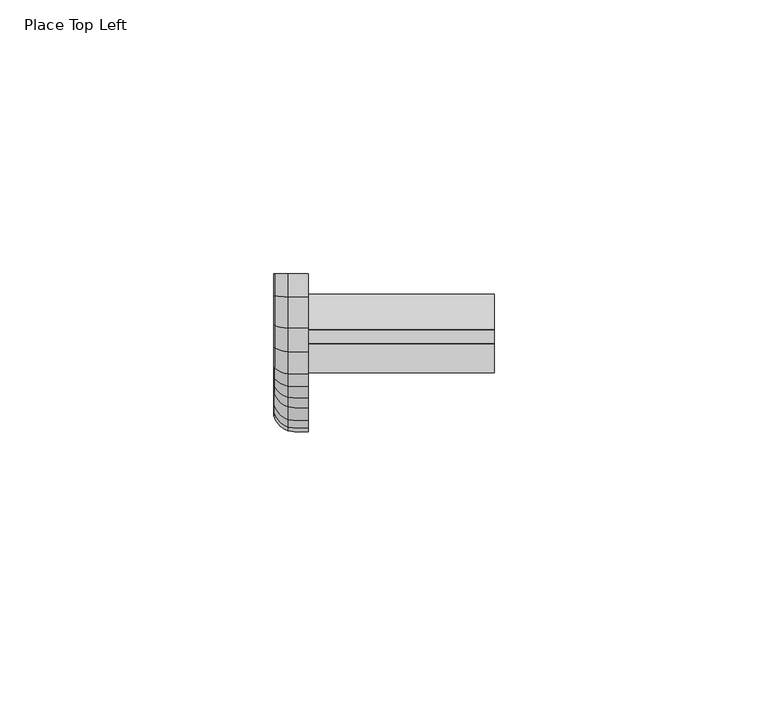
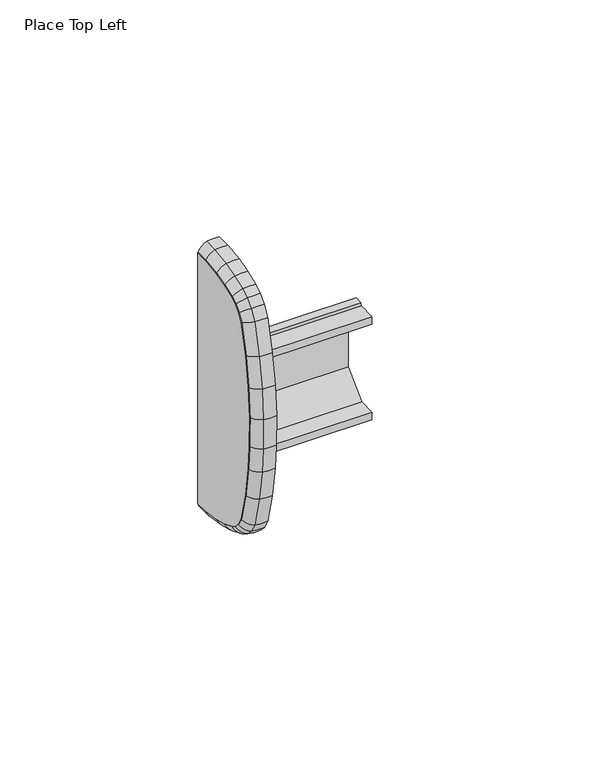
"""IFC4 building model written with IfcOpenShell, lengths in millimetres: furniture geometry, Place Top Left."""

from ifc_helpers import new_model, si_unit, frame, origin, place, context, project, spatial, polyline, circle_curve, ellipse_curve, outline, extrude, source, transform, mapped, element, save
from ifc_brep_helpers import plane_surface, cylinder_surface, advanced_brep


def place_top_left_087214c5(model_context):
    return source(origin(), model_context, "Body", "SolidModel", [
        extrude(outline(polyline([(0.0345068, 1949.9111899), (0.0345068, 1872.6630426), (-4.0166405, 1872.7100247), (-9.3269324, 1873.4801476), (-13.372825, 1874.5646679), (-17.0045165, 1875.9787041), (-18.7701717, 1877.1009228), (-20.2975267, 1878.6282778), (-21.7027528, 1880.9695702), (-23.8895613, 1889.8005523), (-25.23706, 1898.7623229), (-25.8162884, 1906.0852714), (-25.8925026, 1914.9677753), (-25.2359754, 1923.8191233), (-23.8895635, 1932.7736802), (-21.7027531, 1941.6046612), (-20.2975159, 1943.9459692), (-18.7701751, 1945.4733101), (-17.0045177, 1946.5955279), (-13.372825, 1948.0095645), (-9.3269329, 1949.0940847), (-4.016627, 1949.8642077), (0.0345068, 1949.9111899)])), frame((-6.2857404, 0.0, 0.0), z_axis=(1.0, 0.0, 0.0), x_axis=(0.0, 1.0, 0.0)), (0.0, 0.0, 1.0), 6.2857404),
        advanced_brep(
        [(-6.2857404, 0.0345067, 1872.6630426), (0.0, 0.0345067, 1872.6630426), (0.0, 0.0, 1869.6876205), (-3.7374705, 0.0022714, 1869.8834799), (-3.7374705, -4.2331853, 1869.9325995), (-6.2857404, -4.0166405, 1872.7100247), (0.0, -4.0166405, 1872.7100247), (0.0, -9.3269324, 1873.4801476), (0.0, -13.372825, 1874.5646679), (0.0, -17.0045165, 1875.9787041), (0.0, -18.7406187, 1877.0821394), (0.0, -20.3136941, 1878.6552149), (0.0, -21.7027528, 1880.9695702), (0.0, -23.8895613, 1889.8005523), (0.0, -25.23706, 1898.7623229), (0.0, -25.8162884, 1906.0852714), (0.0, -25.8925026, 1914.9677753), (0.0, -25.2359754, 1923.8191233), (0.0, -23.8895635, 1932.7736802), (0.0, -21.7027531, 1941.6046612), (0.0, -20.3136925, 1943.919017), (0.0, -18.7406056, 1945.4921039), (0.0, -17.0045177, 1946.5955279), (0.0, -13.372825, 1948.0095645), (0.0, -9.3269329, 1949.0940847), (0.0, -4.016627, 1949.8642077), (0.0, 0.0345068, 1949.9111899), (0.0, 0.0, 1952.8866119), (0.0, -4.24843, 1952.8373417), (0.0, -9.9277677, 1952.0137001), (0.0, -14.3006328, 1950.8415333), (0.0, -18.3551887, 1949.2628506), (0.0, -20.6131248, 1947.8277498), (0.0, -22.6766477, 1945.7642269), (0.0, -24.4838344, 1942.7532188), (0.0, -26.8114085, 1933.3537926), (0.0, -28.1951654, 1924.1508659), (0.0, -28.8690704, 1915.0652287), (0.0, -28.7909025, 1905.9550289), (0.0, -28.1951654, 1898.4233665), (0.0, -26.8114062, 1889.2204399), (0.0, -24.4838344, 1879.8210136), (0.0, -22.67665, 1876.8100056), (0.0, -20.6131389, 1874.7464944), (0.0, -18.3551887, 1873.3113819), (0.0, -14.3006328, 1871.7326992), (0.0, -9.9277677, 1870.5605324), (0.0, -4.2484439, 1869.7368908), (-3.7374705, -9.8882173, 1870.7527182), (-6.2857404, -9.3269324, 1873.4801476), (-3.7374705, -14.2395592, 1871.9191156), (-6.2857404, -13.372825, 1874.5646679), (-3.7374705, -18.2662797, 1873.4869604), (-6.2857404, -17.0045165, 1875.9787041), (-3.7374705, -20.4898788, 1874.90024), (-6.2857404, -18.7406187, 1877.0821394), (-6.2857404, -20.3136941, 1878.6552149), (-3.7374705, -22.5211067, 1876.9314678), (-3.7374705, -24.3007676, 1879.8966182), (-6.2857404, -21.7027528, 1880.9695702), (-3.7374705, -26.6190736, 1889.2586262), (-6.2857404, -23.8895613, 1889.8005523), (-3.7374705, -28.0004459, 1898.4456786), (-6.2857404, -25.23706, 1898.7623229), (-3.7374705, -28.5950963, 1905.9636022), (-6.2857404, -25.8162884, 1906.0852714), (-3.7374705, -28.6731357, 1915.0588137), (-6.2857404, -25.8925026, 1914.9677753), (-3.7374705, -28.0003745, 1924.1290287), (-6.2857404, -25.2359754, 1923.8191233), (-3.7374705, -26.6190759, 1933.3156062), (-6.2857404, -23.8895635, 1932.7736802), (-3.7374705, -24.3007677, 1942.6776142), (-6.2857404, -21.7027531, 1941.6046612), (-3.7374705, -22.5211045, 1945.6427646), (-6.2857404, -20.3136925, 1943.919017), (-6.2857404, -18.7406056, 1945.4921039), (-3.7374705, -20.4898649, 1947.6740042), (-3.7374705, -18.2662798, 1949.0872721), (-6.2857404, -17.0045177, 1946.5955279), (-3.7374705, -14.2395592, 1950.6551168), (-6.2857404, -13.372825, 1948.0095645), (-3.7374705, -9.8882173, 1951.8215143), (-6.2857404, -9.3269329, 1949.0940847), (-3.7374705, -4.2331714, 1952.6416329), (-6.2857404, -4.016627, 1949.8642077), (-6.2857404, 0.0345068, 1949.9111899), (-3.7374705, 0.0022714, 1952.6907526)],
        [
            (0, 1),
            (1, 2),
            (2, 3, circle_curve(frame((-1.1374621, 0.1629473, 1883.7381341), z_axis=(0.0, 0.9999327587268309, -0.011596466054342813), x_axis=(0.0, -0.011596466054342813, -0.9999327587268309)), 14.0974219)),
            (3, 0, circle_curve(frame((-2.1283423, 0.0490404, 1873.916247), z_axis=(0.0, 0.9999327587268309, -0.011596466054342813), x_axis=(0.0, -0.011596466054342813, -0.9999327587268309)), 4.3421988)),
            (3, 4),
            (4, 5, ellipse_curve(frame((-2.1283423, -3.9190083, 1873.9622654), z_axis=(0.0, 0.9969744367081163, -0.07773012640240676), x_axis=(0.0, 0.07773012640240912, 0.9969744367081163)), 4.3517344, 4.3421988)),
            (5, 0),
            (5, 6),
            (6, 1),
            (6, 7),
            (7, 8),
            (8, 9),
            (9, 10),
            (10, 11),
            (11, 12),
            (12, 13),
            (13, 14),
            (14, 15),
            (15, 16),
            (16, 17),
            (17, 18),
            (18, 19),
            (19, 20),
            (20, 21),
            (21, 22),
            (22, 23),
            (23, 24),
            (24, 25),
            (25, 26),
            (26, 27),
            (27, 28),
            (28, 29),
            (29, 30),
            (30, 31),
            (31, 32),
            (32, 33),
            (33, 34),
            (34, 35),
            (35, 36),
            (36, 37),
            (37, 38),
            (38, 39),
            (39, 40),
            (40, 41),
            (41, 42),
            (42, 43),
            (43, 44),
            (44, 45),
            (45, 46),
            (46, 47),
            (47, 2),
            (4, 48),
            (48, 49, ellipse_curve(frame((-2.1283423, -9.0738693, 1874.709847), z_axis=(0.0, 0.9794743974731754, -0.20156861039001076), x_axis=(0.0, 0.20156861039000895, 0.9794743974731758)), 4.3497517, 4.3421988)),
            (49, 5),
            (49, 7),
            (48, 50),
            (50, 51, ellipse_curve(frame((-2.1283423, -12.9820459, 1875.7574519), z_axis=(0.0, 0.9502997040868852, -0.31133659022411453), x_axis=(0.0, 0.3113365902241165, 0.9502997040868846)), 4.3487034, 4.3421988)),
            (51, 49),
            (51, 8),
            (50, 52),
            (52, 53, ellipse_curve(frame((-2.1283423, -16.4356331, 1877.1021413), z_axis=(0.0, 0.892139727680598, -0.4517595669092004), x_axis=(0.0, 0.45175956690920127, 0.8921397276805976)), 4.3628926, 4.3421988)),
            (53, 51),
            (53, 9),
            (52, 54),
            (54, 55, ellipse_curve(frame((-2.1283423, -17.9519405, 1878.065879), z_axis=(0.0, 0.7802159010365418, -0.6255103098828485), x_axis=(0.0, 0.6255103098828485, 0.7802159010365418)), 4.3684157, 4.3421988)),
            (55, 53),
            (55, 10),
            (56, 57, ellipse_curve(frame((-2.1283423, -19.3184516, 1879.4323901), z_axis=(0.0, -0.6154679787389653, 0.7881618914582031), x_axis=(0.0, -0.7881618914582029, -0.6154679787389659)), 4.37494, 4.3421988)),
            (57, 58),
            (58, 59, ellipse_curve(frame((-2.1283423, -20.5314017, 1881.4533254), z_axis=(0.0, 0.381717250069624, -0.9242791466863699), x_axis=(0.0, 0.9242791466863701, 0.38171725006962365)), 4.3907884, 4.3421988)),
            (59, 56),
            (11, 56),
            (59, 12),
            (58, 60),
            (60, 61, ellipse_curve(frame((-2.1283423, -22.6589228, 1890.0448872), z_axis=(0.0, 0.19474198430785897, -0.9808545047803153), x_axis=(0.0, 0.9808545047803152, 0.1947419843078592)), 4.3469486, 4.3421988)),
            (61, 59),
            (61, 13),
            (60, 62),
            (62, 63, ellipse_curve(frame((-2.1283423, -23.9911492, 1898.9050864), z_axis=(0.0, 0.11384072236192055, -0.9934990135536704), x_axis=(0.0, 0.9934990135536701, 0.11384072236192362)), 4.3448834, 4.3421988)),
            (63, 61),
            (63, 14),
            (62, 64),
            (64, 65, ellipse_curve(frame((-2.1283423, -24.5634243, 1906.1401276), z_axis=(0.0, 0.04374274453800102, -0.9990428280610814), x_axis=(0.0, 0.9990428280610811, 0.04374274453800517)), 4.3448867, 4.3421988)),
            (65, 63),
            (65, 15),
            (64, 66),
            (66, 67, ellipse_curve(frame((-2.1283423, -24.6388157, 1914.9267294), z_axis=(0.0, -0.03272262932383442, -0.9994644713696105), x_axis=(0.0, 0.9994644713696106, -0.032722629323834546)), 4.3459062, 4.3421988)),
            (67, 65),
            (67, 16),
            (66, 68),
            (68, 69, ellipse_curve(frame((-2.1283423, -23.9896077, 1923.6793982), z_axis=(0.0, -0.1114079985900887, -0.9937747520691753), x_axis=(0.0, 0.9937747520691753, -0.1114079985900868)), 4.3452705, 4.3421988)),
            (69, 67),
            (69, 17),
            (68, 70),
            (70, 71, ellipse_curve(frame((-2.1283423, -22.658925, 1932.5293453), z_axis=(0.0, -0.19474197760746303, -0.9808545061106334), x_axis=(0.0, 0.9808545061106337, -0.19474197760745995)), 4.3469486, 4.3421988)),
            (71, 69),
            (71, 18),
            (70, 72),
            (72, 73, ellipse_curve(frame((-2.1283423, -20.5314023, 1941.1209055), z_axis=(0.0, -0.38171761151703903, -0.9242789974124301), x_axis=(0.0, 0.9242789974124306, -0.3817176115170378)), 4.3907885, 4.3421988)),
            (73, 71),
            (73, 19),
            (72, 74),
            (74, 75, ellipse_curve(frame((-2.1283423, -19.3184502, 1943.1418415), z_axis=(0.0, -0.6154681972461673, -0.7881617208279992), x_axis=(0.0, 0.788161720827999, -0.6154681972461677)), 4.3749399, 4.3421988)),
            (75, 73),
            (75, 20),
            (76, 77, ellipse_curve(frame((-2.1283423, -17.9519278, 1944.5083639), z_axis=(0.0, 0.7802161816917597, 0.6255099598138557), x_axis=(0.0, -0.6255099598138527, 0.7802161816917618)), 4.3684159, 4.3421988)),
            (77, 78),
            (78, 79, ellipse_curve(frame((-2.1283423, -16.4356348, 1945.4720905), z_axis=(0.0, -0.8921399303769463, -0.45175916662201504), x_axis=(0.0, 0.45175916662201504, -0.8921399303769462)), 4.3628924, 4.3421988)),
            (79, 76),
            (21, 76),
            (79, 22),
            (78, 80),
            (80, 81, ellipse_curve(frame((-2.1283423, -12.9820459, 1946.8167806), z_axis=(0.0, -0.9502997040868857, -0.31133659022411336), x_axis=(0.0, 0.3113365902241138, -0.9502997040868856)), 4.3487034, 4.3421988)),
            (81, 79),
            (81, 23),
            (80, 82),
            (82, 83, ellipse_curve(frame((-2.1283423, -9.0738701, 1947.8643853), z_axis=(0.0, -0.9794744325328961, -0.20156844002561783), x_axis=(0.0, 0.20156844002561664, -0.9794744325328963)), 4.3497517, 4.3421988)),
            (83, 81),
            (83, 24),
            (82, 84),
            (84, 85, ellipse_curve(frame((-2.1283423, -3.918995, 1948.6119671), z_axis=(0.0, -0.9969744487525575, -0.07772997191903779), x_axis=(0.0, 0.07772997191904311, -0.996974448752557)), 4.3517343, 4.3421988)),
            (85, 83),
            (85, 25),
            (86, 87, circle_curve(frame((-2.1283423, 0.0490406, 1948.6579855), z_axis=(0.0, 0.9999327582865746, 0.011596504016418261), x_axis=(0.0, -0.011596504016418261, 0.9999327582865746)), 4.3421988)),
            (87, 27, circle_curve(frame((-1.1374621, 0.1629478, 1938.8360984), z_axis=(0.0, 0.9999327582865746, 0.011596504016418261), x_axis=(0.0, -0.011596504016418261, 0.9999327582865746)), 14.0974219)),
            (26, 86),
            (84, 87),
            (86, 85),
            (54, 57),
            (56, 55),
            (74, 77),
            (76, 75),
            (47, 4, ellipse_curve(frame((-1.1374621, -3.1538237, 1883.7765995), z_axis=(0.0, 0.9969744367081163, -0.07773012640240676), x_axis=(0.0, 0.07773012640240912, 0.9969744367081163)), 14.1283801, 14.0974219)),
            (46, 48, ellipse_curve(frame((-1.1374621, -7.0905082, 1884.3475156), z_axis=(0.0, 0.9794743974731754, -0.20156861039001076), x_axis=(0.0, 0.20156861039000895, 0.9794743974731758)), 14.1219429, 14.0974219)),
            (45, 50, ellipse_curve(frame((-1.1374621, -9.9193464, 1885.1057988), z_axis=(0.0, 0.9502997040868852, -0.31133659022411453), x_axis=(0.0, 0.3113365902241165, 0.9502997040868846)), 14.1185397, 14.0974219)),
            (44, 52, ellipse_curve(frame((-1.1374621, -11.9770555, 1885.9069889), z_axis=(0.0, 0.892139727680598, -0.4517595669092004), x_axis=(0.0, 0.45175956690920127, 0.8921397276805976)), 14.1646065, 14.0974219)),
            (43, 54, ellipse_curve(frame((-1.1374621, -11.7707394, 1885.775858), z_axis=(0.0, 0.7802159010365418, -0.6255103098828485), x_axis=(0.0, 0.6255103098828485, 0.7802159010365418)), 14.1825379, 14.0974219)),
            (42, 57, ellipse_curve(frame((-1.1374621, -11.5183192, 1885.5234379), z_axis=(0.0, 0.6154679787389653, -0.7881618914582031), x_axis=(0.0, 0.7881618914582031, 0.6154679787389653)), 14.2037197, 14.0974219)),
            (41, 58, ellipse_curve(frame((-1.1374621, -11.3510335, 1885.2447178), z_axis=(0.0, 0.381717250069624, -0.9242791466863699), x_axis=(0.0, 0.9242791466863701, 0.38171725006962365)), 14.2551732, 14.0974219)),
            (40, 60, ellipse_curve(frame((-1.1374621, -13.013894, 1891.959842), z_axis=(0.0, 0.19474198430785897, -0.9808545047803153), x_axis=(0.0, 0.9808545047803152, 0.1947419843078592)), 14.1128424, 14.0974219)),
            (39, 62, ellipse_curve(frame((-1.1374621, -14.2264245, 1900.0239837), z_axis=(0.0, 0.11384072236192055, -0.9934990135536704), x_axis=(0.0, 0.9934990135536701, 0.11384072236192362)), 14.1061376, 14.0974219)),
            (38, 64, ellipse_curve(frame((-1.1374621, -14.744204, 1906.5700588), z_axis=(0.0, 0.04374274453800102, -0.9990428280610814), x_axis=(0.0, 0.9990428280610811, 0.04374274453800517)), 14.1061484, 14.0974219)),
            (37, 66, ellipse_curve(frame((-1.1374621, -14.8131462, 1914.6050354), z_axis=(0.0, -0.03272262932383442, -0.9994644713696105), x_axis=(0.0, 0.9994644713696106, -0.032722629323834546)), 14.1094583, 14.0974219)),
            (36, 68, ellipse_curve(frame((-1.1374621, -14.2213026, 1922.5843137), z_axis=(0.0, -0.1114079985900887, -0.9937747520691753), x_axis=(0.0, 0.9937747520691753, -0.1114079985900868)), 14.1073944, 14.0974219)),
            (35, 70, ellipse_curve(frame((-1.1374621, -13.0138961, 1930.6143905), z_axis=(0.0, -0.19474197760746303, -0.9808545061106334), x_axis=(0.0, 0.9808545061106337, -0.19474197760745995)), 14.1128426, 14.0974219)),
            (34, 72, ellipse_curve(frame((-1.1374621, -11.3510353, 1937.3295094), z_axis=(0.0, -0.38171761151703903, -0.9242789974124301), x_axis=(0.0, 0.9242789974124306, -0.3817176115170378)), 14.2551736, 14.0974219)),
            (33, 74, ellipse_curve(frame((-1.1374621, -11.5183198, 1937.0507918), z_axis=(0.0, -0.6154681972461673, -0.7881617208279992), x_axis=(0.0, 0.788161720827999, -0.6154681972461677)), 14.2037192, 14.0974219)),
            (32, 77, ellipse_curve(frame((-1.1374621, -11.7707299, 1936.7983817), z_axis=(0.0, -0.7802161816917597, -0.6255099598138557), x_axis=(0.0, 0.6255099598138588, -0.780216181691757)), 14.1825386, 14.0974219)),
            (31, 78, ellipse_curve(frame((-1.1374621, -11.9770615, 1936.6672413), z_axis=(0.0, -0.8921399303769463, -0.45175916662201504), x_axis=(0.0, 0.45175916662201504, -0.8921399303769462)), 14.1646059, 14.0974219)),
            (30, 80, ellipse_curve(frame((-1.1374621, -9.9193464, 1937.4684337), z_axis=(0.0, -0.9502997040868857, -0.31133659022411336), x_axis=(0.0, 0.3113365902241138, -0.9502997040868856)), 14.1185397, 14.0974219)),
            (29, 82, ellipse_curve(frame((-1.1374621, -7.0905106, 1938.2267163), z_axis=(0.0, -0.9794744325328961, -0.20156844002561783), x_axis=(0.0, 0.20156844002561664, -0.9794744325328963)), 14.1219431, 14.0974219)),
            (28, 84, ellipse_curve(frame((-1.1374621, -3.153812, 1938.797633), z_axis=(0.0, -0.9969744487525575, -0.07772997191903779), x_axis=(0.0, 0.07772997191904311, -0.996974448752557)), 14.1283799, 14.0974219)),
        ],
        [
            plane_surface(frame((0.0, 0.0, 1869.6876205), z_axis=(0.0, 0.9999327587268309, -0.011596466054342813), x_axis=(1.0, 0.0, 0.0))),
            cylinder_surface(frame((-2.1283423, 0.0490404, 1873.916247), z_axis=(0.0, 0.9999327587268309, -0.011596466054342813), x_axis=(0.0, -0.011596466054342813, -0.9999327587268309)), 4.3421988),
            plane_surface(frame((-6.2857404, 0.0345067, 1872.6630426), z_axis=(0.0, 0.011596466054338126, 0.999932758726831), x_axis=(0.0, -0.999932758726831, 0.011596466054338126))),
            plane_surface(frame((0.0, 0.0345067, 1872.6630426), z_axis=(1.0000000000000002, 0.0, 0.0), x_axis=(0.0, -0.999932758726831, 0.011596466054338152))),
            cylinder_surface(frame((-2.1283423, -3.6414973, 1873.9220195), z_axis=(0.0, 0.9896469612561981, -0.1435231412573367), x_axis=(0.0, -0.1435231412573367, -0.9896469612561981)), 4.3421988),
            plane_surface(frame((-6.2857404, -4.0166405, 1872.7100247), z_axis=(0.0, 0.14352314125730922, 0.989646961256202), x_axis=(0.0, -0.989646961256202, 0.14352314125730922))),
            cylinder_surface(frame((-2.1283423, -8.8328432, 1874.6452388), z_axis=(0.0, 0.9659003565903547, -0.2589140806109741), x_axis=(0.0, -0.2589140806109741, -0.9659003565903547)), 4.3421988),
            plane_surface(frame((-6.2857404, -9.3269324, 1873.4801476), z_axis=(0.0, 0.25891408061096816, 0.9659003565903561), x_axis=(0.0, -0.9659003565903561, 0.25891408061096816))),
            cylinder_surface(frame((-2.1283423, -12.7662667, 1875.673436), z_axis=(0.0, 0.9318562301396383, -0.3628277364672408), x_axis=(0.0, -0.3628277364672408, -0.9318562301396383)), 4.3421988),
            plane_surface(frame((-6.2857404, -13.372825, 1874.5646679), z_axis=(0.0, 0.36282773646726757, 0.9318562301396279), x_axis=(0.0, -0.9318562301396279, 0.36282773646726757))),
            cylinder_surface(frame((-2.1283423, -16.0867761, 1876.8804141), z_axis=(0.0, 0.8439601459651728, -0.5364058836575567), x_axis=(0.0, -0.5364058836575567, -0.8439601459651728)), 4.3421988),
            plane_surface(frame((-6.2857404, -17.0045165, 1875.9787041), z_axis=(0.0, 0.5364058836575601, 0.8439601459651707), x_axis=(0.0, -0.8439601459651707, 0.5364058836575601))),
            cylinder_surface(frame((-2.1283423, -19.0506969, 1878.9862754), z_axis=(0.0, 0.5146170971480147, -0.8574201090031368), x_axis=(0.0, -0.8574201090031368, -0.5146170971480147)), 4.3421988),
            plane_surface(frame((-6.2857404, -20.3136941, 1878.6552149), z_axis=(0.0, 0.8574201090031758, 0.5146170971479497), x_axis=(0.0, -0.5146170971479497, 0.8574201090031758))),
            cylinder_surface(frame((-2.1283423, -20.3789086, 1880.8375129), z_axis=(0.0, 0.24036904584971058, -0.9706815759028806), x_axis=(0.0, -0.9706815759028806, -0.24036904584971058)), 4.3421988),
            plane_surface(frame((-6.2857404, -21.7027528, 1880.9695702), z_axis=(0.0, 0.9706815759028776, 0.24036904584972268), x_axis=(0.0, -0.24036904584972268, 0.9706815759028776))),
            cylinder_surface(frame((-2.1283423, -22.6295042, 1889.8492339), z_axis=(0.0, 0.14868934975290077, -0.9888839554113817), x_axis=(0.0, -0.9888839554113817, -0.14868934975290077)), 4.3421988),
            plane_surface(frame((-6.2857404, -23.8895613, 1889.8005523), z_axis=(0.0, 0.9888839554113819, 0.1486893497528999), x_axis=(0.0, -0.1486893497528999, 0.9888839554113819))),
            cylinder_surface(frame((-2.1283423, -23.9794218, 1898.7568222), z_axis=(0.0, 0.07885141907682716, -0.9968863795385965), x_axis=(0.0, -0.9968863795385965, -0.07885141907682716)), 4.3421988),
            plane_surface(frame((-6.2857404, -25.23706, 1898.7623229), z_axis=(0.0, 0.9968863795385966, 0.07885141907682582), x_axis=(0.0, -0.07885141907682582, 0.9968863795385966))),
            cylinder_surface(frame((-2.1283423, -24.5621474, 1905.9913128), z_axis=(0.0, 0.008579948444343217, -0.9999631915649159), x_axis=(0.0, -0.9999631915649159, -0.008579948444343217)), 4.3421988),
            plane_surface(frame((-6.2857404, -25.8162884, 1906.0852714), z_axis=(0.0, 0.9999631915649158, 0.008579948444344386), x_axis=(0.0, -0.008579948444344386, 0.9999631915649158))),
            cylinder_surface(frame((-2.1283423, -24.6517447, 1914.7524188), z_axis=(0.0, -0.07396937732392918, -0.9972605132152332), x_axis=(0.0, -0.9972605132152332, 0.07396937732392918)), 4.3421988),
            plane_surface(frame((-6.2857404, -25.8925026, 1914.9677753), z_axis=(0.0, 0.9972605132152331, -0.07396937732392994), x_axis=(0.0, 0.07396937732392994, 0.9972605132152331))),
            cylinder_surface(frame((-2.1283423, -24.0132632, 1923.522073), z_axis=(0.0, -0.14868911112834549, -0.9888839912911235), x_axis=(0.0, -0.9888839912911235, 0.14868911112834549)), 4.3421988),
            plane_surface(frame((-6.2857404, -25.2359754, 1923.8191233), z_axis=(0.0, 0.9888839912911239, -0.14868911112834177), x_axis=(0.0, 0.14868911112834177, 0.9888839912911239))),
            cylinder_surface(frame((-2.1283423, -22.706483, 1932.3372924), z_axis=(0.0, -0.24036926682008936, -0.9706815211841485), x_axis=(0.0, -0.9706815211841485, 0.24036926682008936)), 4.3421988),
            plane_surface(frame((-6.2857404, -23.8895635, 1932.7736802), z_axis=(0.0, 0.9706815211841463, -0.24036926682009882), x_axis=(0.0, 0.24036926682009882, 0.9706815211841463))),
            cylinder_surface(frame((-2.1283423, -20.8578825, 1940.576947), z_axis=(0.0, -0.5146175725641735, -0.8574198236617566), x_axis=(0.0, -0.8574198236617566, 0.5146175725641735)), 4.3421988),
            plane_surface(frame((-6.2857404, -21.7027531, 1941.6046612), z_axis=(0.0, 0.8574198236617815, -0.5146175725641319), x_axis=(0.0, 0.5146175725641319, 0.8574198236617815))),
            cylinder_surface(frame((-2.1283423, -18.3447154, 1944.2587156), z_axis=(0.0, -0.8439606273162851, -0.5364051263176953), x_axis=(0.0, -0.5364051263176953, 0.8439606273162851)), 4.3421988),
            plane_surface(frame((-6.2857404, -18.7406056, 1945.4921039), z_axis=(0.0, 0.536405126317752, -0.843960627316249), x_axis=(0.0, 0.843960627316249, 0.536405126317752))),
            cylinder_surface(frame((-2.1283423, -16.8208225, 1945.3221137), z_axis=(0.0, -0.9318562301396388, -0.36282773646723954), x_axis=(0.0, -0.36282773646723954, 0.9318562301396388)), 4.3421988),
            plane_surface(frame((-6.2857404, -17.0045177, 1946.5955279), z_axis=(0.0, 0.3628277364672273, -0.9318562301396436), x_axis=(0.0, 0.9318562301396436, 0.3628277364672273))),
            cylinder_surface(frame((-2.1283423, -13.2057083, 1946.7568269), z_axis=(0.0, -0.9659003565903549, -0.2589140806109731), x_axis=(0.0, -0.2589140806109731, 0.9659003565903549)), 4.3421988),
            plane_surface(frame((-6.2857404, -13.372825, 1948.0095645), z_axis=(0.0, 0.25891408061097804, -0.9659003565903536), x_axis=(0.0, 0.9659003565903536, 0.25891408061097804))),
            cylinder_surface(frame((-2.1283423, -9.3208226, 1947.8285712), z_axis=(0.0, -0.9896470111833897, -0.1435227969898296), x_axis=(0.0, -0.1435227969898296, 0.9896470111833897)), 4.3421988),
            plane_surface(frame((-6.2857404, -9.3269329, 1949.0940847), z_axis=(0.0, 0.14352279698982742, -0.98964701118339), x_axis=(0.0, 0.98964701118339, 0.14352279698982742))),
            plane_surface(frame((0.0, 0.0, 1952.8866119), z_axis=(0.0, 0.9999327582865746, 0.011596504016419073), x_axis=(1.0, 0.0, 0.0))),
            cylinder_surface(frame((-2.1283423, -4.1993894, 1948.6087153), z_axis=(0.0, -0.9999327582865746, -0.011596504016418261), x_axis=(0.0, -0.011596504016418261, 0.9999327582865746)), 4.3421988),
            plane_surface(frame((-6.2857404, -4.016627, 1949.8642077), z_axis=(0.0, 0.011596504016427861, -0.9999327582865745), x_axis=(0.0, 0.9999327582865745, 0.011596504016427861))),
            cylinder_surface(frame((-2.1283423, -17.6228474, 1877.7367859), z_axis=(0.0, 0.7071067811865361, -0.707106781186559), x_axis=(0.0, -0.707106781186559, -0.7071067811865361)), 4.3421988),
            plane_surface(frame((-6.2857404, -18.7406187, 1877.0821394), z_axis=(0.0, 0.7071067811865932, 0.7071067811865019), x_axis=(0.0, -0.7071067811865019, 0.7071067811865932))),
            cylinder_surface(frame((-2.1283423, -19.6863562, 1942.7739354), z_axis=(0.0, -0.7071067811865539, -0.7071067811865411), x_axis=(0.0, -0.7071067811865411, 0.7071067811865539)), 4.3421988),
            plane_surface(frame((-6.2857404, -20.3136925, 1943.919017), z_axis=(0.0, 0.7071067811865552, -0.70710678118654), x_axis=(0.0, 0.70710678118654, 0.7071067811865552))),
            cylinder_surface(frame((-1.1374621, 0.1629473, 1883.7381341), z_axis=(0.0, 0.9999327587268309, -0.011596466054342813), x_axis=(0.0, -0.011596466054342813, -0.9999327587268309)), 14.0974219),
            cylinder_surface(frame((-1.1374621, -2.2317344, 1883.6428739), z_axis=(0.0, 0.9896469612561981, -0.1435231412573367), x_axis=(0.0, -0.1435231412573367, -0.9896469612561981)), 14.0974219),
            cylinder_surface(frame((-1.1374621, -6.2896473, 1884.1328411), z_axis=(0.0, 0.9659003565903547, -0.2589140806109741), x_axis=(0.0, -0.2589140806109741, -0.9659003565903547)), 14.0974219),
            cylinder_surface(frame((-1.1374621, -9.202374, 1884.8266383), z_axis=(0.0, 0.9318562301396383, -0.3628277364672408), x_axis=(0.0, -0.3628277364672408, -0.9318562301396383)), 14.0974219),
            cylinder_surface(frame((-1.1374621, -10.8179037, 1885.1702528), z_axis=(0.0, 0.8439601459651728, -0.5364058836575567), x_axis=(0.0, -0.5364058836575567, -0.8439601459651728)), 14.0974219),
            cylinder_surface(frame((-1.1374621, -10.6772573, 1884.682376), z_axis=(0.0, 0.7071067811865361, -0.707106781186559), x_axis=(0.0, -0.707106781186559, -0.7071067811865361)), 14.0974219),
            cylinder_surface(frame((-1.1374621, -10.628647, 1884.0411263), z_axis=(0.0, 0.5146170971480147, -0.8574201090031368), x_axis=(0.0, -0.8574201090031368, -0.5146170971480147)), 14.0974219),
            cylinder_surface(frame((-1.1374621, -10.8443426, 1883.1985493), z_axis=(0.0, 0.24036904584971058, -0.9706815759028806), x_axis=(0.0, -0.9706815759028806, -0.24036904584971058)), 14.0974219),
            cylinder_surface(frame((-1.1374621, -12.9161445, 1891.3097421), z_axis=(0.0, 0.14868934975290077, -0.9888839554113817), x_axis=(0.0, -0.9888839554113817, -0.14868934975290077)), 14.0974219),
            cylinder_surface(frame((-1.1374621, -14.1874578, 1899.531344), z_axis=(0.0, 0.07885141907682716, -0.9968863795385965), x_axis=(0.0, -0.9968863795385965, -0.07885141907682716)), 14.0974219),
            cylinder_surface(frame((-1.1374621, -14.7399613, 1906.0755897), z_axis=(0.0, 0.008579948444343217, -0.9999631915649159), x_axis=(0.0, -0.9999631915649159, -0.008579948444343217)), 14.0974219),
            cylinder_surface(frame((-1.1374621, -14.8561058, 1914.025851), z_axis=(0.0, -0.07396937732392918, -0.9972605132152332), x_axis=(0.0, -0.9972605132152332, 0.07396937732392918)), 14.0974219),
            cylinder_surface(frame((-1.1374621, -14.2999031, 1922.0615671), z_axis=(0.0, -0.14868911112834549, -0.9888839912911235), x_axis=(0.0, -0.9888839912911235, 0.14868911112834549)), 14.0974219),
            cylinder_surface(frame((-1.1374621, -13.1719175, 1929.9762538), z_axis=(0.0, -0.24036926682008936, -0.9706815211841485), x_axis=(0.0, -0.9706815211841485, 0.24036926682008936)), 14.0974219),
            cylinder_surface(frame((-1.1374621, -12.4358354, 1935.5220914), z_axis=(0.0, -0.5146175725641735, -0.8574198236617566), x_axis=(0.0, -0.8574198236617566, 0.5146175725641735)), 14.0974219),
            cylinder_surface(frame((-1.1374621, -12.7407662, 1935.8283454), z_axis=(0.0, -0.7071067811865539, -0.7071067811865411), x_axis=(0.0, -0.7071067811865411, 0.7071067811865539)), 14.0974219),
            cylinder_surface(frame((-1.1374621, -13.0758505, 1935.9688722), z_axis=(0.0, -0.8439606273162851, -0.5364051263176953), x_axis=(0.0, -0.5364051263176953, 0.8439606273162851)), 14.0974219),
            cylinder_surface(frame((-1.1374621, -13.2569298, 1936.1689115), z_axis=(0.0, -0.9318562301396388, -0.36282773646723954), x_axis=(0.0, -0.36282773646723954, 0.9318562301396388)), 14.0974219),
            cylinder_surface(frame((-1.1374621, -10.6625124, 1937.2692246), z_axis=(0.0, -0.9659003565903549, -0.2589140806109731), x_axis=(0.0, -0.2589140806109731, 0.9659003565903549)), 14.0974219),
            cylinder_surface(frame((-1.1374621, -7.9110631, 1938.1077163), z_axis=(0.0, -0.9896470111833897, -0.1435227969898296), x_axis=(0.0, -0.1435227969898296, 0.9896470111833897)), 14.0974219),
            cylinder_surface(frame((-1.1374621, -4.0854822, 1938.7868281), z_axis=(0.0, -0.9999327582865746, -0.011596504016418261), x_axis=(0.0, -0.011596504016418261, 0.9999327582865746)), 14.0974219),
        ],
        [
            (0, [[1, 2, 3, 4]]),
            (1, [[-4, 5, 6, 7]]),
            (2, [[-1, -7, 8, 9]]),
            (3, [[-2, -9, 10, 11, 12, 13, 14, 15, 16, 17, 18, 19, 20, 21, 22, 23, 24, 25, 26, 27, 28, 29, 30, 31, 32, 33, 34, 35, 36, 37, 38, 39, 40, 41, 42, 43, 44, 45, 46, 47, 48, 49, 50, 51]]),
            (4, [[-6, 52, 53, 54]]),
            (5, [[-8, -54, 55, -10]]),
            (6, [[-53, 56, 57, 58]]),
            (7, [[-55, -58, 59, -11]]),
            (8, [[-57, 60, 61, 62]]),
            (9, [[-59, -62, 63, -12]]),
            (10, [[-61, 64, 65, 66]]),
            (11, [[-63, -66, 67, -13]]),
            (12, [[68, 69, 70, 71]]),
            (13, [[72, -71, 73, -15]]),
            (14, [[-70, 74, 75, 76]]),
            (15, [[-73, -76, 77, -16]]),
            (16, [[-75, 78, 79, 80]]),
            (17, [[-77, -80, 81, -17]]),
            (18, [[-79, 82, 83, 84]]),
            (19, [[-81, -84, 85, -18]]),
            (20, [[-83, 86, 87, 88]]),
            (21, [[-85, -88, 89, -19]]),
            (22, [[-87, 90, 91, 92]]),
            (23, [[-89, -92, 93, -20]]),
            (24, [[-91, 94, 95, 96]]),
            (25, [[-93, -96, 97, -21]]),
            (26, [[-95, 98, 99, 100]]),
            (27, [[-97, -100, 101, -22]]),
            (28, [[-99, 102, 103, 104]]),
            (29, [[-101, -104, 105, -23]]),
            (30, [[106, 107, 108, 109]]),
            (31, [[110, -109, 111, -25]]),
            (32, [[-108, 112, 113, 114]]),
            (33, [[-111, -114, 115, -26]]),
            (34, [[-113, 116, 117, 118]]),
            (35, [[-115, -118, 119, -27]]),
            (36, [[-117, 120, 121, 122]]),
            (37, [[-119, -122, 123, -28]]),
            (38, [[124, 125, -30, 126]]),
            (39, [[-121, 127, -124, 128]]),
            (40, [[-123, -128, -126, -29]]),
            (41, [[-65, 129, -68, 130]]),
            (42, [[-67, -130, -72, -14]]),
            (43, [[-103, 131, -106, 132]]),
            (44, [[-105, -132, -110, -24]]),
            (45, [[-3, -51, 133, -5]]),
            (46, [[-133, -50, 134, -52]]),
            (47, [[-134, -49, 135, -56]]),
            (48, [[-135, -48, 136, -60]]),
            (49, [[-136, -47, 137, -64]]),
            (50, [[-137, -46, 138, -129]]),
            (51, [[-138, -45, 139, -69]]),
            (52, [[-139, -44, 140, -74]]),
            (53, [[-140, -43, 141, -78]]),
            (54, [[-141, -42, 142, -82]]),
            (55, [[-142, -41, 143, -86]]),
            (56, [[-143, -40, 144, -90]]),
            (57, [[-144, -39, 145, -94]]),
            (58, [[-145, -38, 146, -98]]),
            (59, [[-146, -37, 147, -102]]),
            (60, [[-147, -36, 148, -131]]),
            (61, [[-148, -35, 149, -107]]),
            (62, [[-149, -34, 150, -112]]),
            (63, [[-150, -33, 151, -116]]),
            (64, [[-151, -32, 152, -120]]),
            (65, [[-152, -31, -125, -127]]),
        ],
    ),
        extrude(outline(polyline([(-10.1829994, 1928.287096), (-10.1272139, 1925.5704014), (-3.6890145, 1918.9034507), (-3.6890145, 1903.6835106), (-10.1271764, 1897.0038311), (-10.1829994, 1894.2871365), (-12.6287418, 1894.3413483), (-12.732753, 1895.2373692), (-18.0287415, 1895.3414326), (-18.0381943, 1897.7274788), (-12.9803755, 1897.8294245), (-6.1968403, 1904.6129597), (-6.1968403, 1917.8177244), (-13.0397886, 1924.6606727), (-18.0207119, 1924.8346104), (-18.0207119, 1927.2366777), (-12.729928, 1927.3539521), (-12.6287418, 1928.2328842), (-10.1829994, 1928.287096)])), frame((0.0, 0.0, 0.0), z_axis=(1.0, 0.0, 0.0), x_axis=(0.0, 1.0, 0.0)), (0.0, 0.0, 1.0), 33.9999987),
    ])


if __name__ == "__main__":
    model = new_model("IFC4")
    model_context = context("Model", 3, world=origin())
    ifc_project = project(units=[si_unit("LENGTHUNIT", "METRE", prefix="MILLI")], contexts=[model_context])
    site = spatial("IfcSite", under=ifc_project)
    building = spatial("IfcBuilding", under=site)
    placement = place(None, origin())
    place_top_left_shape = place_top_left_087214c5(model_context)
    element("IfcFurniture", 1, ObjectType="Place Top Left", at=placement, inside=building, context=model_context, shape_type="MappedRepresentation", body=[
        mapped(place_top_left_shape, transform((0.0, 0.0, 0.0), x_axis=(1.0, 0.0, 0.0), y_axis=(0.0, 1.0, 0.0), z_axis=(0.0, 0.0, 1.0))),
    ])
    save(model, "model.ifc")
